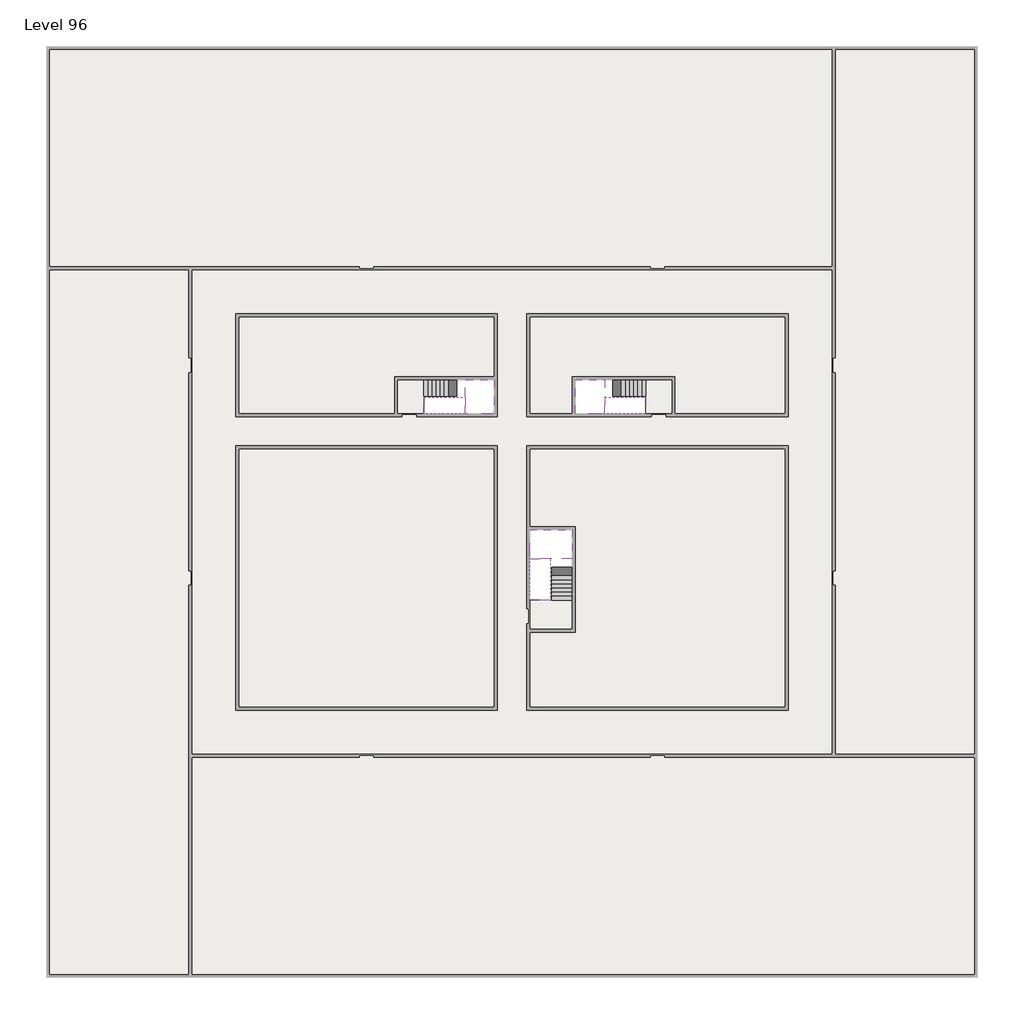
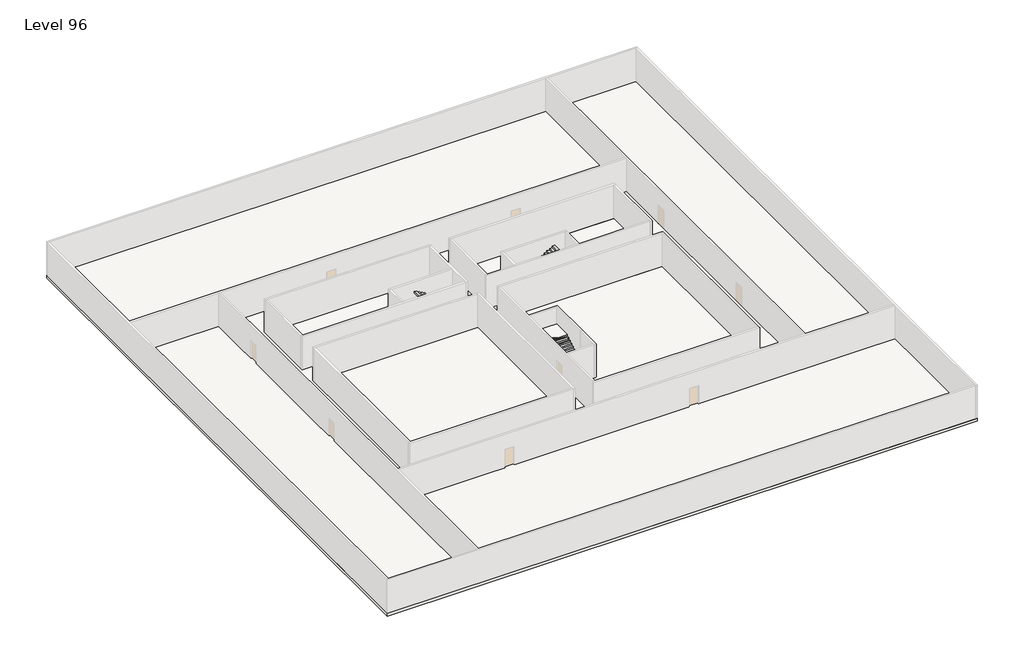
# One storey, part 2 of 2: 6 slabs, 6 stair flights.
"""IFC4 building model written with IfcOpenShell, lengths in millimetres."""

import ifcopenshell
import ifcopenshell.guid

model = None  # the IFC model being written
_history = None  # IfcOwnerHistory: only IFC2X3 demands one
_inside = {}  # id of a spatial element -> (the spatial element, [elements in it])
_under = {}  # id of a project, library or spatial element -> (it, [spatial elements below it])
_declared = {}  # id of a project -> (the project, [libraries it declares])
_typed = {}  # id of a type object -> (the type object, [elements of that type])
_made_of = {}  # id of a material, layer set ... -> (it, [elements and type objects made of it])


def new_model(schema):
    """Start an empty IFC model of exactly this schema.

    Asked for "IFC4X3", IfcOpenShell would pick the latest addendum, in which some entities
    have other attributes; the version numbers below select the first issue.
    IFC2X3 requires an IfcOwnerHistory on every rooted entity: one is made here for all.
    """
    global model, _history
    if schema == "IFC4X3":
        model = ifcopenshell.file(schema_version=(4, 3, 0, 0))
    else:
        model = ifcopenshell.file(schema=schema)
    _inside.clear()
    _under.clear()
    _declared.clear()
    _typed.clear()
    _made_of.clear()
    _history = None
    if model.schema == "IFC2X3":
        org = make("IfcOrganization", Name="unknown")
        user = make(
            "IfcPersonAndOrganization",
            ThePerson=make("IfcPerson", FamilyName="unknown"),
            TheOrganization=org,
        )
        app = make(
            "IfcApplication",
            ApplicationDeveloper=org,
            Version="unknown",
            ApplicationFullName="unknown",
            ApplicationIdentifier="unknown",
        )
        _history = make(
            "IfcOwnerHistory",
            OwningUser=user,
            OwningApplication=app,
            ChangeAction="ADDED",
            CreationDate=0,
        )
    return model


def make(cls, **values):
    """One entity of the class cls with the attributes given. An attribute that is None is left unset."""
    return model.create_entity(
        cls, **{name: value for name, value in values.items() if value is not None}
    )


def rooted(cls, **values):
    """An entity with a GlobalId (a new one), such as an element, a storey or a relation."""
    return make(cls, GlobalId=ifcopenshell.guid.new(), OwnerHistory=_history, **values)


def si_unit(unit_type, name, prefix=None):
    """IfcSIUnit, for example si_unit("LENGTHUNIT", "METRE", prefix="MILLI")."""
    return make("IfcSIUnit", UnitType=unit_type, Prefix=prefix, Name=name)


def assignment(units):
    """IfcUnitAssignment: the units of a project."""
    return None if units is None else make("IfcUnitAssignment", Units=units)


def point(xyz):
    """IfcCartesianPoint."""
    return None if xyz is None else make("IfcCartesianPoint", Coordinates=xyz)


def direction(xyz):
    """IfcDirection."""
    return None if xyz is None else make("IfcDirection", DirectionRatios=xyz)


def frame(location, z_axis=None, x_axis=None):
    """IfcAxis2Placement3D, a coordinate frame: its origin and axes. An axis left out is left unset."""
    return make(
        "IfcAxis2Placement3D",
        Location=point(location),
        Axis=direction(z_axis),
        RefDirection=direction(x_axis),
    )


def origin():
    """The frame at (0, 0, 0) with its axes left unset."""
    return frame((0.0, 0.0, 0.0))


def place(relative_to, where):
    """IfcLocalPlacement: puts the frame where relative to a parent placement (None: the world)."""
    return make(
        "IfcLocalPlacement", PlacementRelTo=relative_to, RelativePlacement=where
    )


def context(
    kind, dimensions, precision=None, world=None, true_north=None, identifier=None
):
    """IfcGeometricRepresentationContext, for example the 3D "Model" context."""
    return make(
        "IfcGeometricRepresentationContext",
        ContextIdentifier=identifier,
        ContextType=kind,
        CoordinateSpaceDimension=dimensions,
        Precision=precision,
        WorldCoordinateSystem=world,
        TrueNorth=true_north,
    )


def project(units=None, contexts=None):
    """IfcProject with its units and contexts."""
    return rooted(
        "IfcProject",
        Name="project",
        RepresentationContexts=contexts,
        UnitsInContext=assignment(units),
    )


def spatial(cls, under=None, at=None, **own):
    """A site, building, storey or space (cls), placed at a placement, below another one or the project."""
    s = rooted(cls, ObjectPlacement=at, **own)
    if under is not None:
        _under.setdefault(under.id(), (under, []))[1].append(s)
    return s


def polyline(points):
    """IfcPolyline through the points."""
    return make("IfcPolyline", Points=[point(p) for p in points])


def outline(outer, holes=None, kind="AREA"):
    """IfcArbitraryClosedProfileDef: a profile drawn as a closed curve; with holes, ...WithVoids."""
    if holes is None:
        return make("IfcArbitraryClosedProfileDef", ProfileType=kind, OuterCurve=outer)
    return make(
        "IfcArbitraryProfileDefWithVoids",
        ProfileType=kind,
        OuterCurve=outer,
        InnerCurves=holes,
    )


def extrude(swept, where, along, depth):
    """IfcExtrudedAreaSolid: the profile swept, set in the frame where, extruded along a direction by depth."""
    return make(
        "IfcExtrudedAreaSolid",
        SweptArea=swept,
        Position=where,
        ExtrudedDirection=direction(along),
        Depth=depth,
    )


def faces_of(points, faces, orient=None, outer=None):
    """IfcFace entities. A face is a list of loops; a loop is a list of indices into points, from 0.

    orient and outer hold one flag for each loop. By default every Orientation is true, the
    first loop of a face is its IfcFaceOuterBound and the others are IfcFaceBound.
    """
    made = []
    for i, loops in enumerate(faces):
        bounds = []
        for j, loop in enumerate(loops):
            is_outer = j == 0 if outer is None else outer[i][j]
            bounds.append(
                make(
                    "IfcFaceOuterBound" if is_outer else "IfcFaceBound",
                    Bound=make("IfcPolyLoop", Polygon=[points[k] for k in loop]),
                    Orientation=True if orient is None else orient[i][j],
                )
            )
        made.append(make("IfcFace", Bounds=bounds))
    return made


def faceted_brep(points, faces, orient=None, outer=None, voids=None):
    """IfcFacetedBrep: a solid bounded by flat faces; with voids (closed shells), ...WithVoids."""
    shared = [point(p) for p in points]
    hull = make("IfcClosedShell", CfsFaces=faces_of(shared, faces, orient, outer))
    if voids is None:
        return make("IfcFacetedBrep", Outer=hull)
    return make(
        "IfcFacetedBrepWithVoids",
        Outer=hull,
        Voids=[
            make(cls, CfsFaces=faces_of(shared, fs, o, b)) for cls, fs, o, b in voids
        ],
    )


def shape(context_of_items, identifier, shape_type, items):
    """IfcShapeRepresentation: the items that make up one representation, for example the "Body"."""
    return make(
        "IfcShapeRepresentation",
        ContextOfItems=context_of_items,
        RepresentationIdentifier=identifier,
        RepresentationType=shape_type,
        Items=items,
    )


def made_of(thing, what):
    """Note that an element or type object is made of a material, layer set ...; save() writes the relation."""
    if what is not None:
        _made_of.setdefault(what.id(), (what, []))[1].append(thing)
    return thing


def element(
    cls,
    number,
    at=None,
    inside=None,
    cuts=None,
    type_object=None,
    material=None,
    context=None,
    identifier="Body",
    shape_type=None,
    held_by="IfcProductDefinitionShape",
    body=None,
    shapes=None,
    **own,
):
    """One element of the class cls, such as IfcWall. Its Tag is "e" and its number.

    at: its placement. inside: the storey or other place that contains it. cuts: it is an
    opening in that element (IfcRelVoidsElement). A single representation is given by context,
    identifier, shape_type and body (its items); several are given by shapes. held_by: the class
    of the entity that holds the representations. save() writes the other relations.
    """
    e = rooted(cls, Tag="e%d" % number, ObjectPlacement=at, **own)
    if body is not None:
        shapes = [shape(context, identifier, shape_type, body)]
    if shapes is not None:
        e.Representation = make(held_by, Representations=shapes)
    if inside is not None:
        _inside.setdefault(inside.id(), (inside, []))[1].append(e)
    if cuts is not None:
        rooted(
            "IfcRelVoidsElement", RelatingBuildingElement=cuts, RelatedOpeningElement=e
        )
    if type_object is not None:
        _typed.setdefault(type_object.id(), (type_object, []))[1].append(e)
    return made_of(e, material)


def aggregate(whole, parts):
    """IfcRelAggregates: a whole, such as a stair, and the parts it consists of."""
    return rooted("IfcRelAggregates", RelatingObject=whole, RelatedObjects=parts)


def save(model, path):
    """Write the relations noted so far, then the file.

    IfcRelAggregates (storeys below a building ...), IfcRelContainedInSpatialStructure (elements
    in a storey), IfcRelDefinesByType, IfcRelAssociatesMaterial and IfcRelDeclares: one each for
    every whole, place, type object, material and project.
    """
    for whole, parts in _under.values():
        aggregate(whole, parts)
    for where, things in _inside.values():
        rooted(
            "IfcRelContainedInSpatialStructure",
            RelatedElements=things,
            RelatingStructure=where,
        )
    for kind, things in _typed.values():
        rooted("IfcRelDefinesByType", RelatedObjects=things, RelatingType=kind)
    for what, things in _made_of.values():
        rooted("IfcRelAssociatesMaterial", RelatedObjects=things, RelatingMaterial=what)
    for by, libraries in _declared.values():
        rooted("IfcRelDeclares", RelatingContext=by, RelatedDefinitions=libraries)
    model.write(path)


model = new_model("IFC4")

# Units and contexts
model_context = context("Model", 3, world=origin())
ifc_project = project(units=[si_unit("LENGTHUNIT", "METRE", prefix="MILLI")], contexts=[model_context])

# Site, building, storey
site = spatial("IfcSite", under=ifc_project)
building = spatial("IfcBuilding", under=site)
storey = spatial("IfcBuildingStorey", under=building, Name="Level 96", Elevation=361000.0)

# Slabs
placement = place(None, origin())
element("IfcSlab", 1, at=placement, inside=storey, context=model_context, shape_type="SweptSolid", body=[
    extrude(outline(polyline([(55890.1058784, -5518.09644), (55890.1058784, -68918.09644), (-7509.8941216, -68918.09644), (-7509.8941216, -5518.09644), (55890.1058784, -5518.09644)]), holes=[polyline([(22990.1058784, -23918.09644), (5590.1058784, -23918.09644), (5590.1058784, -30518.09644), (22990.1058784, -30518.09644), (22990.1058784, -23918.09644)]), polyline([(42990.1058784, -23918.09644), (25390.1058784, -23918.09644), (25390.1058784, -30518.09644), (42990.1058784, -30518.09644), (42990.1058784, -23918.09644)]), polyline([(25390.1058784, -50518.09644), (42790.1058784, -50518.09644), (42790.1058784, -32918.09644), (25390.1058784, -32918.09644), (25390.1058784, -50518.09644)]), polyline([(22990.1058784, -32918.09644), (5590.1058784, -32918.09644), (5590.1058784, -50518.09644), (22990.1058784, -50518.09644), (22990.1058784, -32918.09644)])]), frame((0.0, 0.0, 360700.0), z_axis=(0.0, 0.0, 1.0), x_axis=(1.0, 0.0, 0.0)), (0.0, 0.0, 1.0), 300.0),
])
element("IfcSlab", 2, at=placement, inside=storey, context=model_context, shape_type="SweptSolid", body=[
    extrude(outline(polyline([(22990.1058784, -23918.09644), (22990.1058784, -28018.09644), (16190.1058784, -28018.09644), (16190.1058784, -30518.09644), (5590.1058784, -30518.09644), (5590.1058784, -23918.09644), (22990.1058784, -23918.09644)])), frame((0.0, 0.0, 360700.0), z_axis=(0.0, 0.0, 1.0), x_axis=(1.0, 0.0, 0.0)), (0.0, 0.0, 1.0), 300.0),
    extrude(outline(polyline([(42790.1058784, -23918.09644), (42790.1058784, -30518.09644), (35290.1058784, -30518.09644), (35290.1058784, -28018.09644), (28490.1058784, -28018.09644), (28490.1058784, -30518.09644), (25390.1058784, -30518.09644), (25390.1058784, -23918.09644), (42790.1058784, -23918.09644)])), frame((0.0, 0.0, 360700.0), z_axis=(0.0, 0.0, 1.0), x_axis=(1.0, 0.0, 0.0)), (0.0, 0.0, 1.0), 300.0),
    extrude(outline(polyline([(22990.1058784, -32918.09644), (22990.1058784, -50518.09644), (5590.1058784, -50518.09644), (5590.1058784, -32918.09644), (22990.1058784, -32918.09644)])), frame((0.0, 0.0, 360700.0), z_axis=(0.0, 0.0, 1.0), x_axis=(1.0, 0.0, 0.0)), (0.0, 0.0, 1.0), 300.0),
    extrude(outline(polyline([(25390.1058784, -38218.09644), (25390.1058784, -32918.09644), (42790.1058784, -32918.09644), (42790.1058784, -50518.09644), (25390.1058784, -50518.09644), (25390.1058784, -45418.09644), (28490.1058784, -45418.09644), (28490.1058784, -38218.09644), (25390.1058784, -38218.09644)])), frame((0.0, 0.0, 360700.0), z_axis=(0.0, 0.0, 1.0), x_axis=(1.0, 0.0, 0.0)), (0.0, 0.0, 1.0), 300.0),
])
element("IfcSlab", 3, at=placement, inside=storey, context=model_context, shape_type="Brep", body=[
    faceted_brep([(26890.1058784, -40418.09644, 362900.0), (28290.1058784, -40418.09644, 362900.0), (28290.1058784, -40338.7100038, 362900.0), (28290.1058784, -38418.09644, 362900.0), (25390.1058784, -38418.09644, 362900.0), (25390.1058784, -40217.4828763, 362900.0), (25390.1058784, -40418.09644, 362900.0), (26790.1058784, -40418.09644, 362900.0), (26890.1058784, -40418.09644, 362600.0), (26890.1058784, -40418.09644, 362551.0278478), (28290.1058784, -40418.09644, 362551.0278478), (28290.1058784, -40418.09644, 362727.2727273), (28290.1058784, -40338.7100038, 362600.0), (28290.1058784, -38418.09644, 362600.0), (25390.1058784, -38418.09644, 362600.0), (25390.1058784, -40217.4828763, 362600.0), (25390.1058784, -40418.09644, 362723.7551205), (26790.1058784, -40418.09644, 362723.7551205), (26790.1058784, -40418.09644, 362600.0), (26790.1058784, -40217.4828763, 362600.0), (26890.1058784, -40338.7100038, 362600.0)], [[[0, 1, 2, 3, 4, 5, 6, 7]], [[1, 0, 8, 9, 10, 11]], [[1, 11, 10, 12, 13, 3, 2]], [[4, 3, 13, 14]], [[4, 14, 15, 16, 6, 5]], [[7, 6, 16, 17]], [[0, 7, 17, 18, 8]], [[18, 19, 15, 14, 13, 12, 20, 8]], [[19, 18, 17]], [[20, 12, 10, 9]], [[8, 20, 9]], [[15, 19, 17, 16]]]),
])
element("IfcSlab", 4, at=placement, inside=storey, context=model_context, shape_type="Brep", body=[
    faceted_brep([(20990.1058784, -28218.09644, 362900.0), (20990.1058784, -29318.09644, 362900.0), (20990.1058784, -29418.09644, 362900.0), (20990.1058784, -30518.09644, 362900.0), (21190.7194421, -30518.09644, 362900.0), (22990.1058784, -30518.09644, 362900.0), (22990.1058784, -28218.09644, 362900.0), (21069.4923146, -28218.09644, 362900.0), (20990.1058784, -28218.09644, 362727.2727273), (20990.1058784, -28218.09644, 362551.0278478), (20990.1058784, -29318.09644, 362551.0278478), (20990.1058784, -29318.09644, 362600.0), (20990.1058784, -29418.09644, 362600.0), (20990.1058784, -29418.09644, 362723.7551205), (20990.1058784, -30518.09644, 362723.7551205), (21190.7194421, -30518.09644, 362600.0), (22990.1058784, -30518.09644, 362600.0), (22990.1058784, -28218.09644, 362600.0), (21069.4923146, -28218.09644, 362600.0), (21190.7194421, -29418.09644, 362600.0), (21069.4923146, -29318.09644, 362600.0)], [[[0, 1, 2, 3, 4, 5, 6, 7]], [[1, 0, 8, 9, 10, 11]], [[2, 1, 11, 12, 13]], [[3, 2, 13, 14]], [[3, 14, 15, 16, 5, 4]], [[6, 5, 16, 17]], [[9, 8, 0, 7, 6, 17, 18]], [[19, 12, 11, 20, 18, 17, 16, 15]], [[12, 19, 13]], [[18, 20, 10, 9]], [[20, 11, 10]], [[19, 15, 14, 13]]]),
])
element("IfcSlab", 5, at=placement, inside=storey, context=model_context, shape_type="Brep", body=[
    faceted_brep([(30490.1058784, -29318.09644, 362900.0), (30490.1058784, -28218.09644, 362900.0), (30410.7194421, -28218.09644, 362900.0), (28490.1058784, -28218.09644, 362900.0), (28490.1058784, -30518.09644, 362900.0), (30289.4923146, -30518.09644, 362900.0), (30490.1058784, -30518.09644, 362900.0), (30490.1058784, -29418.09644, 362900.0), (30490.1058784, -29318.09644, 362600.0), (30490.1058784, -29318.09644, 362551.0278478), (30490.1058784, -28218.09644, 362551.0278478), (30490.1058784, -28218.09644, 362727.2727273), (30490.1058784, -29418.09644, 362723.7551205), (30490.1058784, -29418.09644, 362600.0), (30490.1058784, -30518.09644, 362723.7551205), (28490.1058784, -30518.09644, 362600.0), (30289.4923146, -30518.09644, 362600.0), (28490.1058784, -28218.09644, 362600.0), (30410.7194421, -28218.09644, 362600.0), (30289.4923146, -29418.09644, 362600.0), (30410.7194421, -29318.09644, 362600.0)], [[[0, 1, 2, 3, 4, 5, 6, 7]], [[1, 0, 8, 9, 10, 11]], [[0, 7, 12, 13, 8]], [[7, 6, 14, 12]], [[4, 15, 16, 14, 6, 5]], [[4, 3, 17, 15]], [[1, 11, 10, 18, 17, 3, 2]], [[13, 19, 16, 15, 17, 18, 20, 8]], [[20, 18, 10, 9]], [[8, 20, 9]], [[16, 19, 12, 14]], [[19, 13, 12]]]),
])
element("IfcSlab", 6, at=placement, inside=storey, context=model_context, shape_type="SweptSolid", body=[
    extrude(outline(polyline([(35090.1058784, -28218.09644), (35090.1058784, -30518.09644), (33290.1058784, -30518.09644), (33290.1058784, -28218.09644), (35090.1058784, -28218.09644)])), frame((0.0, 0.0, 360700.0), z_axis=(0.0, 0.0, 1.0), x_axis=(1.0, 0.0, 0.0)), (0.0, 0.0, 1.0), 300.0),
    extrude(outline(polyline([(18190.1058784, -28218.09644), (18190.1058784, -30518.09644), (16390.1058784, -30518.09644), (16390.1058784, -28218.09644), (18190.1058784, -28218.09644)])), frame((0.0, 0.0, 360700.0), z_axis=(0.0, 0.0, 1.0), x_axis=(1.0, 0.0, 0.0)), (0.0, 0.0, 1.0), 300.0),
    extrude(outline(polyline([(28290.1058784, -43218.09644), (28290.1058784, -45218.09644), (25390.1058784, -45218.09644), (25390.1058784, -43218.09644), (28290.1058784, -43218.09644)])), frame((0.0, 0.0, 360700.0), z_axis=(0.0, 0.0, 1.0), x_axis=(1.0, 0.0, 0.0)), (0.0, 0.0, 1.0), 300.0),
])

# Stair flights
element("IfcStairFlight", 7, at=placement, inside=storey, context=model_context, shape_type="Brep", body=[
    faceted_brep([(26890.1058784, -42938.09644, 361172.7272727), (26890.1058784, -43218.09644, 361172.7272727), (28290.1058784, -43218.09644, 361172.7272727), (28290.1058784, -42938.09644, 361172.7272727), (26890.1058784, -42938.09644, 361000.0), (26890.1058784, -43218.09644, 361000.0), (28290.1058784, -43218.09644, 361000.0), (28290.1058784, -42938.09644, 361000.0), (26890.1058784, -42658.09644, 361345.4545455), (26890.1058784, -42938.09644, 361345.4545455), (28290.1058784, -42938.09644, 361345.4545455), (28290.1058784, -42658.09644, 361345.4545455), (26890.1058784, -42658.09644, 361169.209666), (26890.1058784, -42932.3942143, 361000.0), (28290.1058784, -42932.3942143, 361000.0), (28290.1058784, -42658.09644, 361169.209666), (26890.1058784, -42378.09644, 361518.1818182), (26890.1058784, -42658.09644, 361518.1818182), (28290.1058784, -42658.09644, 361518.1818182), (28290.1058784, -42378.09644, 361518.1818182), (26890.1058784, -42378.09644, 361341.9369387), (28290.1058784, -42378.09644, 361341.9369387), (26890.1058784, -42098.09644, 361690.9090909), (26890.1058784, -42378.09644, 361690.9090909), (28290.1058784, -42378.09644, 361690.9090909), (28290.1058784, -42098.09644, 361690.9090909), (26890.1058784, -42098.09644, 361514.6642114), (28290.1058784, -42098.09644, 361514.6642114), (26890.1058784, -41818.09644, 361863.6363636), (26890.1058784, -42098.09644, 361863.6363636), (28290.1058784, -42098.09644, 361863.6363636), (28290.1058784, -41818.09644, 361863.6363636), (26890.1058784, -41818.09644, 361687.3914841), (28290.1058784, -41818.09644, 361687.3914841), (26890.1058784, -41538.09644, 362036.3636364), (26890.1058784, -41818.09644, 362036.3636364), (28290.1058784, -41818.09644, 362036.3636364), (28290.1058784, -41538.09644, 362036.3636364), (26890.1058784, -41538.09644, 361860.1187569), (28290.1058784, -41538.09644, 361860.1187569), (26890.1058784, -41258.09644, 362209.0909091), (26890.1058784, -41538.09644, 362209.0909091), (28290.1058784, -41538.09644, 362209.0909091), (28290.1058784, -41258.09644, 362209.0909091), (26890.1058784, -41258.09644, 362032.8460296), (28290.1058784, -41258.09644, 362032.8460296), (26890.1058784, -40978.09644, 362381.8181818), (26890.1058784, -41258.09644, 362381.8181818), (28290.1058784, -41258.09644, 362381.8181818), (28290.1058784, -40978.09644, 362381.8181818), (26890.1058784, -40978.09644, 362205.5733023), (28290.1058784, -40978.09644, 362205.5733023), (26890.1058784, -40698.09644, 362554.5454545), (26890.1058784, -40978.09644, 362554.5454545), (28290.1058784, -40978.09644, 362554.5454545), (28290.1058784, -40698.09644, 362554.5454545), (26890.1058784, -40698.09644, 362378.3005751), (28290.1058784, -40698.09644, 362378.3005751), (26890.1058784, -40418.09644, 362727.2727273), (26890.1058784, -40698.09644, 362727.2727273), (28290.1058784, -40698.09644, 362727.2727273), (28290.1058784, -40418.09644, 362727.2727273), (26890.1058784, -40418.09644, 362600.0), (26890.1058784, -40418.09644, 362551.0278478), (28290.1058784, -40418.09644, 362551.0278478)], [[[0, 1, 2, 3]], [[1, 0, 4, 5]], [[2, 1, 5, 6]], [[3, 2, 6, 7]], [[8, 9, 10, 11]], [[4, 0, 9, 8, 12, 13]], [[0, 3, 10, 9]], [[3, 7, 14, 15, 11, 10]], [[16, 17, 18, 19]], [[17, 16, 20, 12, 8]], [[8, 11, 18, 17]], [[19, 18, 11, 15, 21]], [[22, 23, 24, 25]], [[23, 22, 26, 20, 16]], [[16, 19, 24, 23]], [[25, 24, 19, 21, 27]], [[28, 29, 30, 31]], [[29, 28, 32, 26, 22]], [[22, 25, 30, 29]], [[31, 30, 25, 27, 33]], [[34, 35, 36, 37]], [[35, 34, 38, 32, 28]], [[28, 31, 36, 35]], [[37, 36, 31, 33, 39]], [[40, 41, 42, 43]], [[41, 40, 44, 38, 34]], [[34, 37, 42, 41]], [[43, 42, 37, 39, 45]], [[46, 47, 48, 49]], [[47, 46, 50, 44, 40]], [[40, 43, 48, 47]], [[49, 48, 43, 45, 51]], [[52, 53, 54, 55]], [[53, 52, 56, 50, 46]], [[46, 49, 54, 53]], [[55, 54, 49, 51, 57]], [[58, 59, 60, 61]], [[59, 58, 62, 63, 56, 52]], [[52, 55, 60, 59]], [[61, 60, 55, 57, 64]], [[58, 61, 64, 63, 62]], [[5, 4, 13, 14, 7, 6]], [[14, 13, 12, 20, 26, 32, 38, 44, 50, 56, 63, 64, 57, 51, 45, 39, 33, 27, 21, 15]]]),
])
element("IfcStairFlight", 8, at=placement, inside=storey, context=model_context, shape_type="Brep", body=[
    faceted_brep([(26790.1058784, -40698.09644, 363072.7272727), (26790.1058784, -40418.09644, 363072.7272727), (25390.1058784, -40418.09644, 363072.7272727), (25390.1058784, -40698.09644, 363072.7272727), (26790.1058784, -40698.09644, 362896.4823932), (26790.1058784, -40418.09644, 362723.7551205), (25390.1058784, -40418.09644, 362723.7551205), (25390.1058784, -40418.09644, 362900.0), (25390.1058784, -40698.09644, 362896.4823932), (26790.1058784, -40978.09644, 363245.4545455), (26790.1058784, -40698.09644, 363245.4545455), (25390.1058784, -40698.09644, 363245.4545455), (25390.1058784, -40978.09644, 363245.4545455), (26790.1058784, -40978.09644, 363069.209666), (25390.1058784, -40978.09644, 363069.209666), (26790.1058784, -41258.09644, 363418.1818182), (26790.1058784, -40978.09644, 363418.1818182), (25390.1058784, -40978.09644, 363418.1818182), (25390.1058784, -41258.09644, 363418.1818182), (26790.1058784, -41258.09644, 363241.9369387), (25390.1058784, -41258.09644, 363241.9369387), (26790.1058784, -41538.09644, 363590.9090909), (26790.1058784, -41258.09644, 363590.9090909), (25390.1058784, -41258.09644, 363590.9090909), (25390.1058784, -41538.09644, 363590.9090909), (26790.1058784, -41538.09644, 363414.6642114), (25390.1058784, -41538.09644, 363414.6642114), (26790.1058784, -41818.09644, 363763.6363636), (26790.1058784, -41538.09644, 363763.6363636), (25390.1058784, -41538.09644, 363763.6363636), (25390.1058784, -41818.09644, 363763.6363636), (26790.1058784, -41818.09644, 363587.3914841), (25390.1058784, -41818.09644, 363587.3914841), (26790.1058784, -42098.09644, 363936.3636364), (26790.1058784, -41818.09644, 363936.3636364), (25390.1058784, -41818.09644, 363936.3636364), (25390.1058784, -42098.09644, 363936.3636364), (26790.1058784, -42098.09644, 363760.1187569), (25390.1058784, -42098.09644, 363760.1187569), (26790.1058784, -42378.09644, 364109.0909091), (26790.1058784, -42098.09644, 364109.0909091), (25390.1058784, -42098.09644, 364109.0909091), (25390.1058784, -42378.09644, 364109.0909091), (26790.1058784, -42378.09644, 363932.8460296), (25390.1058784, -42378.09644, 363932.8460296), (26790.1058784, -42658.09644, 364281.8181818), (26790.1058784, -42378.09644, 364281.8181818), (25390.1058784, -42378.09644, 364281.8181818), (25390.1058784, -42658.09644, 364281.8181818), (26790.1058784, -42658.09644, 364105.5733023), (25390.1058784, -42658.09644, 364105.5733023), (26790.1058784, -42938.09644, 364454.5454545), (26790.1058784, -42658.09644, 364454.5454545), (25390.1058784, -42658.09644, 364454.5454545), (25390.1058784, -42938.09644, 364454.5454545), (26790.1058784, -42938.09644, 364278.3005751), (25390.1058784, -42938.09644, 364278.3005751), (26790.1058784, -43218.09644, 364627.2727273), (26790.1058784, -42938.09644, 364627.2727273), (25390.1058784, -42938.09644, 364627.2727273), (25390.1058784, -43218.09644, 364627.2727273), (26790.1058784, -43218.09644, 364451.0278478), (25390.1058784, -43218.09644, 364451.0278478)], [[[0, 1, 2, 3]], [[1, 0, 4, 5]], [[2, 1, 5, 6, 7]], [[3, 2, 7, 6, 8]], [[9, 10, 11, 12]], [[10, 9, 13, 4, 0]], [[11, 10, 0, 3]], [[12, 11, 3, 8, 14]], [[15, 16, 17, 18]], [[16, 15, 19, 13, 9]], [[17, 16, 9, 12]], [[18, 17, 12, 14, 20]], [[21, 22, 23, 24]], [[22, 21, 25, 19, 15]], [[23, 22, 15, 18]], [[24, 23, 18, 20, 26]], [[27, 28, 29, 30]], [[28, 27, 31, 25, 21]], [[29, 28, 21, 24]], [[30, 29, 24, 26, 32]], [[33, 34, 35, 36]], [[34, 33, 37, 31, 27]], [[35, 34, 27, 30]], [[36, 35, 30, 32, 38]], [[39, 40, 41, 42]], [[40, 39, 43, 37, 33]], [[41, 40, 33, 36]], [[42, 41, 36, 38, 44]], [[45, 46, 47, 48]], [[46, 45, 49, 43, 39]], [[47, 46, 39, 42]], [[48, 47, 42, 44, 50]], [[51, 52, 53, 54]], [[52, 51, 55, 49, 45]], [[53, 52, 45, 48]], [[54, 53, 48, 50, 56]], [[57, 58, 59, 60]], [[58, 57, 61, 55, 51]], [[59, 58, 51, 54]], [[60, 59, 54, 56, 62]], [[57, 60, 62, 61]], [[5, 4, 13, 19, 25, 31, 37, 43, 49, 55, 61, 62, 56, 50, 44, 38, 32, 26, 20, 14, 8, 6]]]),
])
element("IfcStairFlight", 9, at=placement, inside=storey, context=model_context, shape_type="Brep", body=[
    faceted_brep([(18470.1058784, -28218.09644, 361172.7272727), (18190.1058784, -28218.09644, 361172.7272727), (18190.1058784, -29318.09644, 361172.7272727), (18470.1058784, -29318.09644, 361172.7272727), (18470.1058784, -28218.09644, 361000.0), (18190.1058784, -28218.09644, 361000.0), (18190.1058784, -29318.09644, 361000.0), (18470.1058784, -29318.09644, 361000.0), (18750.1058784, -28218.09644, 361345.4545455), (18470.1058784, -28218.09644, 361345.4545455), (18470.1058784, -29318.09644, 361345.4545455), (18750.1058784, -29318.09644, 361345.4545455), (18750.1058784, -28218.09644, 361169.209666), (18475.8081041, -28218.09644, 361000.0), (18475.8081041, -29318.09644, 361000.0), (18750.1058784, -29318.09644, 361169.209666), (19030.1058784, -28218.09644, 361518.1818182), (18750.1058784, -28218.09644, 361518.1818182), (18750.1058784, -29318.09644, 361518.1818182), (19030.1058784, -29318.09644, 361518.1818182), (19030.1058784, -28218.09644, 361341.9369387), (19030.1058784, -29318.09644, 361341.9369387), (19310.1058784, -28218.09644, 361690.9090909), (19030.1058784, -28218.09644, 361690.9090909), (19030.1058784, -29318.09644, 361690.9090909), (19310.1058784, -29318.09644, 361690.9090909), (19310.1058784, -28218.09644, 361514.6642114), (19310.1058784, -29318.09644, 361514.6642114), (19590.1058784, -28218.09644, 361863.6363636), (19310.1058784, -28218.09644, 361863.6363636), (19310.1058784, -29318.09644, 361863.6363636), (19590.1058784, -29318.09644, 361863.6363636), (19590.1058784, -28218.09644, 361687.3914841), (19590.1058784, -29318.09644, 361687.3914841), (19870.1058784, -28218.09644, 362036.3636364), (19590.1058784, -28218.09644, 362036.3636364), (19590.1058784, -29318.09644, 362036.3636364), (19870.1058784, -29318.09644, 362036.3636364), (19870.1058784, -28218.09644, 361860.1187569), (19870.1058784, -29318.09644, 361860.1187569), (20150.1058784, -28218.09644, 362209.0909091), (19870.1058784, -28218.09644, 362209.0909091), (19870.1058784, -29318.09644, 362209.0909091), (20150.1058784, -29318.09644, 362209.0909091), (20150.1058784, -28218.09644, 362032.8460296), (20150.1058784, -29318.09644, 362032.8460296), (20430.1058784, -28218.09644, 362381.8181818), (20150.1058784, -28218.09644, 362381.8181818), (20150.1058784, -29318.09644, 362381.8181818), (20430.1058784, -29318.09644, 362381.8181818), (20430.1058784, -28218.09644, 362205.5733023), (20430.1058784, -29318.09644, 362205.5733023), (20710.1058784, -28218.09644, 362554.5454545), (20430.1058784, -28218.09644, 362554.5454545), (20430.1058784, -29318.09644, 362554.5454545), (20710.1058784, -29318.09644, 362554.5454545), (20710.1058784, -28218.09644, 362378.3005751), (20710.1058784, -29318.09644, 362378.3005751), (20990.1058784, -28218.09644, 362727.2727273), (20710.1058784, -28218.09644, 362727.2727273), (20710.1058784, -29318.09644, 362727.2727273), (20990.1058784, -29318.09644, 362727.2727273), (20990.1058784, -28218.09644, 362551.0278478), (20990.1058784, -29318.09644, 362551.0278478), (20990.1058784, -29318.09644, 362600.0)], [[[0, 1, 2, 3]], [[1, 0, 4, 5]], [[2, 1, 5, 6]], [[3, 2, 6, 7]], [[8, 9, 10, 11]], [[4, 0, 9, 8, 12, 13]], [[0, 3, 10, 9]], [[3, 7, 14, 15, 11, 10]], [[16, 17, 18, 19]], [[17, 16, 20, 12, 8]], [[8, 11, 18, 17]], [[19, 18, 11, 15, 21]], [[22, 23, 24, 25]], [[23, 22, 26, 20, 16]], [[16, 19, 24, 23]], [[25, 24, 19, 21, 27]], [[28, 29, 30, 31]], [[29, 28, 32, 26, 22]], [[22, 25, 30, 29]], [[31, 30, 25, 27, 33]], [[34, 35, 36, 37]], [[35, 34, 38, 32, 28]], [[28, 31, 36, 35]], [[37, 36, 31, 33, 39]], [[40, 41, 42, 43]], [[41, 40, 44, 38, 34]], [[34, 37, 42, 41]], [[43, 42, 37, 39, 45]], [[46, 47, 48, 49]], [[47, 46, 50, 44, 40]], [[40, 43, 48, 47]], [[49, 48, 43, 45, 51]], [[52, 53, 54, 55]], [[53, 52, 56, 50, 46]], [[46, 49, 54, 53]], [[55, 54, 49, 51, 57]], [[58, 59, 60, 61]], [[59, 58, 62, 56, 52]], [[52, 55, 60, 59]], [[61, 60, 55, 57, 63, 64]], [[58, 61, 64, 63, 62]], [[5, 4, 13, 14, 7, 6]], [[14, 13, 12, 20, 26, 32, 38, 44, 50, 56, 62, 63, 57, 51, 45, 39, 33, 27, 21, 15]]]),
])
element("IfcStairFlight", 10, at=placement, inside=storey, context=model_context, shape_type="Brep", body=[
    faceted_brep([(20710.1058784, -30518.09644, 363072.7272727), (20990.1058784, -30518.09644, 363072.7272727), (20990.1058784, -29418.09644, 363072.7272727), (20710.1058784, -29418.09644, 363072.7272727), (20710.1058784, -30518.09644, 362896.4823932), (20990.1058784, -30518.09644, 362723.7551205), (20990.1058784, -30518.09644, 362900.0), (20990.1058784, -29418.09644, 362723.7551205), (20710.1058784, -29418.09644, 362896.4823932), (20430.1058784, -30518.09644, 363245.4545455), (20710.1058784, -30518.09644, 363245.4545455), (20710.1058784, -29418.09644, 363245.4545455), (20430.1058784, -29418.09644, 363245.4545455), (20430.1058784, -30518.09644, 363069.209666), (20430.1058784, -29418.09644, 363069.209666), (20150.1058784, -30518.09644, 363418.1818182), (20430.1058784, -30518.09644, 363418.1818182), (20430.1058784, -29418.09644, 363418.1818182), (20150.1058784, -29418.09644, 363418.1818182), (20150.1058784, -30518.09644, 363241.9369387), (20150.1058784, -29418.09644, 363241.9369387), (19870.1058784, -30518.09644, 363590.9090909), (20150.1058784, -30518.09644, 363590.9090909), (20150.1058784, -29418.09644, 363590.9090909), (19870.1058784, -29418.09644, 363590.9090909), (19870.1058784, -30518.09644, 363414.6642114), (19870.1058784, -29418.09644, 363414.6642114), (19590.1058784, -30518.09644, 363763.6363636), (19870.1058784, -30518.09644, 363763.6363636), (19870.1058784, -29418.09644, 363763.6363636), (19590.1058784, -29418.09644, 363763.6363636), (19590.1058784, -30518.09644, 363587.3914841), (19590.1058784, -29418.09644, 363587.3914841), (19310.1058784, -30518.09644, 363936.3636364), (19590.1058784, -30518.09644, 363936.3636364), (19590.1058784, -29418.09644, 363936.3636364), (19310.1058784, -29418.09644, 363936.3636364), (19310.1058784, -30518.09644, 363760.1187569), (19310.1058784, -29418.09644, 363760.1187569), (19030.1058784, -30518.09644, 364109.0909091), (19310.1058784, -30518.09644, 364109.0909091), (19310.1058784, -29418.09644, 364109.0909091), (19030.1058784, -29418.09644, 364109.0909091), (19030.1058784, -30518.09644, 363932.8460296), (19030.1058784, -29418.09644, 363932.8460296), (18750.1058784, -30518.09644, 364281.8181818), (19030.1058784, -30518.09644, 364281.8181818), (19030.1058784, -29418.09644, 364281.8181818), (18750.1058784, -29418.09644, 364281.8181818), (18750.1058784, -30518.09644, 364105.5733023), (18750.1058784, -29418.09644, 364105.5733023), (18470.1058784, -30518.09644, 364454.5454545), (18750.1058784, -30518.09644, 364454.5454545), (18750.1058784, -29418.09644, 364454.5454545), (18470.1058784, -29418.09644, 364454.5454545), (18470.1058784, -30518.09644, 364278.3005751), (18470.1058784, -29418.09644, 364278.3005751), (18190.1058784, -30518.09644, 364627.2727273), (18470.1058784, -30518.09644, 364627.2727273), (18470.1058784, -29418.09644, 364627.2727273), (18190.1058784, -29418.09644, 364627.2727273), (18190.1058784, -30518.09644, 364451.0278478), (18190.1058784, -29418.09644, 364451.0278478)], [[[0, 1, 2, 3]], [[1, 0, 4, 5, 6]], [[2, 1, 6, 5, 7]], [[3, 2, 7, 8]], [[9, 10, 11, 12]], [[10, 9, 13, 4, 0]], [[11, 10, 0, 3]], [[12, 11, 3, 8, 14]], [[15, 16, 17, 18]], [[16, 15, 19, 13, 9]], [[17, 16, 9, 12]], [[18, 17, 12, 14, 20]], [[21, 22, 23, 24]], [[22, 21, 25, 19, 15]], [[23, 22, 15, 18]], [[24, 23, 18, 20, 26]], [[27, 28, 29, 30]], [[28, 27, 31, 25, 21]], [[29, 28, 21, 24]], [[30, 29, 24, 26, 32]], [[33, 34, 35, 36]], [[34, 33, 37, 31, 27]], [[35, 34, 27, 30]], [[36, 35, 30, 32, 38]], [[39, 40, 41, 42]], [[40, 39, 43, 37, 33]], [[41, 40, 33, 36]], [[42, 41, 36, 38, 44]], [[45, 46, 47, 48]], [[46, 45, 49, 43, 39]], [[47, 46, 39, 42]], [[48, 47, 42, 44, 50]], [[51, 52, 53, 54]], [[52, 51, 55, 49, 45]], [[53, 52, 45, 48]], [[54, 53, 48, 50, 56]], [[57, 58, 59, 60]], [[58, 57, 61, 55, 51]], [[59, 58, 51, 54]], [[60, 59, 54, 56, 62]], [[57, 60, 62, 61]], [[5, 4, 13, 19, 25, 31, 37, 43, 49, 55, 61, 62, 56, 50, 44, 38, 32, 26, 20, 14, 8, 7]]]),
])
element("IfcStairFlight", 11, at=placement, inside=storey, context=model_context, shape_type="Brep", body=[
    faceted_brep([(33010.1058784, -29318.09644, 361172.7272727), (33290.1058784, -29318.09644, 361172.7272727), (33290.1058784, -28218.09644, 361172.7272727), (33010.1058784, -28218.09644, 361172.7272727), (33290.1058784, -28218.09644, 361000.0), (33010.1058784, -28218.09644, 361000.0), (33290.1058784, -29318.09644, 361000.0), (33010.1058784, -29318.09644, 361000.0), (32730.1058784, -29318.09644, 361345.4545455), (33010.1058784, -29318.09644, 361345.4545455), (33010.1058784, -28218.09644, 361345.4545455), (32730.1058784, -28218.09644, 361345.4545455), (33004.4036527, -28218.09644, 361000.0), (32730.1058784, -28218.09644, 361169.209666), (32730.1058784, -29318.09644, 361169.209666), (33004.4036527, -29318.09644, 361000.0), (32450.1058784, -29318.09644, 361518.1818182), (32730.1058784, -29318.09644, 361518.1818182), (32730.1058784, -28218.09644, 361518.1818182), (32450.1058784, -28218.09644, 361518.1818182), (32450.1058784, -28218.09644, 361341.9369387), (32450.1058784, -29318.09644, 361341.9369387), (32170.1058784, -29318.09644, 361690.9090909), (32450.1058784, -29318.09644, 361690.9090909), (32450.1058784, -28218.09644, 361690.9090909), (32170.1058784, -28218.09644, 361690.9090909), (32170.1058784, -28218.09644, 361514.6642114), (32170.1058784, -29318.09644, 361514.6642114), (31890.1058784, -29318.09644, 361863.6363636), (32170.1058784, -29318.09644, 361863.6363636), (32170.1058784, -28218.09644, 361863.6363636), (31890.1058784, -28218.09644, 361863.6363636), (31890.1058784, -28218.09644, 361687.3914841), (31890.1058784, -29318.09644, 361687.3914841), (31610.1058784, -29318.09644, 362036.3636364), (31890.1058784, -29318.09644, 362036.3636364), (31890.1058784, -28218.09644, 362036.3636364), (31610.1058784, -28218.09644, 362036.3636364), (31610.1058784, -28218.09644, 361860.1187569), (31610.1058784, -29318.09644, 361860.1187569), (31330.1058784, -29318.09644, 362209.0909091), (31610.1058784, -29318.09644, 362209.0909091), (31610.1058784, -28218.09644, 362209.0909091), (31330.1058784, -28218.09644, 362209.0909091), (31330.1058784, -28218.09644, 362032.8460296), (31330.1058784, -29318.09644, 362032.8460296), (31050.1058784, -29318.09644, 362381.8181818), (31330.1058784, -29318.09644, 362381.8181818), (31330.1058784, -28218.09644, 362381.8181818), (31050.1058784, -28218.09644, 362381.8181818), (31050.1058784, -28218.09644, 362205.5733023), (31050.1058784, -29318.09644, 362205.5733023), (30770.1058784, -29318.09644, 362554.5454545), (31050.1058784, -29318.09644, 362554.5454545), (31050.1058784, -28218.09644, 362554.5454545), (30770.1058784, -28218.09644, 362554.5454545), (30770.1058784, -28218.09644, 362378.3005751), (30770.1058784, -29318.09644, 362378.3005751), (30490.1058784, -29318.09644, 362727.2727273), (30770.1058784, -29318.09644, 362727.2727273), (30770.1058784, -28218.09644, 362727.2727273), (30490.1058784, -28218.09644, 362727.2727273), (30490.1058784, -28218.09644, 362551.0278478), (30490.1058784, -29318.09644, 362600.0), (30490.1058784, -29318.09644, 362551.0278478)], [[[0, 1, 2, 3]], [[3, 2, 4, 5]], [[2, 1, 6, 4]], [[1, 0, 7, 6]], [[8, 9, 10, 11]], [[3, 5, 12, 13, 11, 10]], [[0, 3, 10, 9]], [[7, 0, 9, 8, 14, 15]], [[16, 17, 18, 19]], [[19, 18, 11, 13, 20]], [[8, 11, 18, 17]], [[17, 16, 21, 14, 8]], [[22, 23, 24, 25]], [[25, 24, 19, 20, 26]], [[16, 19, 24, 23]], [[23, 22, 27, 21, 16]], [[28, 29, 30, 31]], [[31, 30, 25, 26, 32]], [[22, 25, 30, 29]], [[29, 28, 33, 27, 22]], [[34, 35, 36, 37]], [[37, 36, 31, 32, 38]], [[28, 31, 36, 35]], [[35, 34, 39, 33, 28]], [[40, 41, 42, 43]], [[43, 42, 37, 38, 44]], [[34, 37, 42, 41]], [[41, 40, 45, 39, 34]], [[46, 47, 48, 49]], [[49, 48, 43, 44, 50]], [[40, 43, 48, 47]], [[47, 46, 51, 45, 40]], [[52, 53, 54, 55]], [[55, 54, 49, 50, 56]], [[46, 49, 54, 53]], [[53, 52, 57, 51, 46]], [[58, 59, 60, 61]], [[61, 60, 55, 56, 62]], [[52, 55, 60, 59]], [[59, 58, 63, 64, 57, 52]], [[58, 61, 62, 64, 63]], [[6, 7, 15, 12, 5, 4]], [[12, 15, 14, 21, 27, 33, 39, 45, 51, 57, 64, 62, 56, 50, 44, 38, 32, 26, 20, 13]]]),
])
element("IfcStairFlight", 12, at=placement, inside=storey, context=model_context, shape_type="Brep", body=[
    faceted_brep([(30770.1058784, -29418.09644, 363072.7272727), (30490.1058784, -29418.09644, 363072.7272727), (30490.1058784, -30518.09644, 363072.7272727), (30770.1058784, -30518.09644, 363072.7272727), (30490.1058784, -30518.09644, 362900.0), (30490.1058784, -30518.09644, 362723.7551205), (30770.1058784, -30518.09644, 362896.4823932), (30490.1058784, -29418.09644, 362723.7551205), (30770.1058784, -29418.09644, 362896.4823932), (31050.1058784, -29418.09644, 363245.4545455), (30770.1058784, -29418.09644, 363245.4545455), (30770.1058784, -30518.09644, 363245.4545455), (31050.1058784, -30518.09644, 363245.4545455), (31050.1058784, -30518.09644, 363069.209666), (31050.1058784, -29418.09644, 363069.209666), (31330.1058784, -29418.09644, 363418.1818182), (31050.1058784, -29418.09644, 363418.1818182), (31050.1058784, -30518.09644, 363418.1818182), (31330.1058784, -30518.09644, 363418.1818182), (31330.1058784, -30518.09644, 363241.9369387), (31330.1058784, -29418.09644, 363241.9369387), (31610.1058784, -29418.09644, 363590.9090909), (31330.1058784, -29418.09644, 363590.9090909), (31330.1058784, -30518.09644, 363590.9090909), (31610.1058784, -30518.09644, 363590.9090909), (31610.1058784, -30518.09644, 363414.6642114), (31610.1058784, -29418.09644, 363414.6642114), (31890.1058784, -29418.09644, 363763.6363636), (31610.1058784, -29418.09644, 363763.6363636), (31610.1058784, -30518.09644, 363763.6363636), (31890.1058784, -30518.09644, 363763.6363636), (31890.1058784, -30518.09644, 363587.3914841), (31890.1058784, -29418.09644, 363587.3914841), (32170.1058784, -29418.09644, 363936.3636364), (31890.1058784, -29418.09644, 363936.3636364), (31890.1058784, -30518.09644, 363936.3636364), (32170.1058784, -30518.09644, 363936.3636364), (32170.1058784, -30518.09644, 363760.1187569), (32170.1058784, -29418.09644, 363760.1187569), (32450.1058784, -29418.09644, 364109.0909091), (32170.1058784, -29418.09644, 364109.0909091), (32170.1058784, -30518.09644, 364109.0909091), (32450.1058784, -30518.09644, 364109.0909091), (32450.1058784, -30518.09644, 363932.8460296), (32450.1058784, -29418.09644, 363932.8460296), (32730.1058784, -29418.09644, 364281.8181818), (32450.1058784, -29418.09644, 364281.8181818), (32450.1058784, -30518.09644, 364281.8181818), (32730.1058784, -30518.09644, 364281.8181818), (32730.1058784, -30518.09644, 364105.5733023), (32730.1058784, -29418.09644, 364105.5733023), (33010.1058784, -29418.09644, 364454.5454545), (32730.1058784, -29418.09644, 364454.5454545), (32730.1058784, -30518.09644, 364454.5454545), (33010.1058784, -30518.09644, 364454.5454545), (33010.1058784, -30518.09644, 364278.3005751), (33010.1058784, -29418.09644, 364278.3005751), (33290.1058784, -29418.09644, 364627.2727273), (33010.1058784, -29418.09644, 364627.2727273), (33010.1058784, -30518.09644, 364627.2727273), (33290.1058784, -30518.09644, 364627.2727273), (33290.1058784, -30518.09644, 364451.0278478), (33290.1058784, -29418.09644, 364451.0278478)], [[[0, 1, 2, 3]], [[3, 2, 4, 5, 6]], [[2, 1, 7, 5, 4]], [[1, 0, 8, 7]], [[9, 10, 11, 12]], [[12, 11, 3, 6, 13]], [[11, 10, 0, 3]], [[10, 9, 14, 8, 0]], [[15, 16, 17, 18]], [[18, 17, 12, 13, 19]], [[17, 16, 9, 12]], [[16, 15, 20, 14, 9]], [[21, 22, 23, 24]], [[24, 23, 18, 19, 25]], [[23, 22, 15, 18]], [[22, 21, 26, 20, 15]], [[27, 28, 29, 30]], [[30, 29, 24, 25, 31]], [[29, 28, 21, 24]], [[28, 27, 32, 26, 21]], [[33, 34, 35, 36]], [[36, 35, 30, 31, 37]], [[35, 34, 27, 30]], [[34, 33, 38, 32, 27]], [[39, 40, 41, 42]], [[42, 41, 36, 37, 43]], [[41, 40, 33, 36]], [[40, 39, 44, 38, 33]], [[45, 46, 47, 48]], [[48, 47, 42, 43, 49]], [[47, 46, 39, 42]], [[46, 45, 50, 44, 39]], [[51, 52, 53, 54]], [[54, 53, 48, 49, 55]], [[53, 52, 45, 48]], [[52, 51, 56, 50, 45]], [[57, 58, 59, 60]], [[60, 59, 54, 55, 61]], [[59, 58, 51, 54]], [[58, 57, 62, 56, 51]], [[57, 60, 61, 62]], [[7, 8, 14, 20, 26, 32, 38, 44, 50, 56, 62, 61, 55, 49, 43, 37, 31, 25, 19, 13, 6, 5]]]),
])

save(model, "model.ifc")
